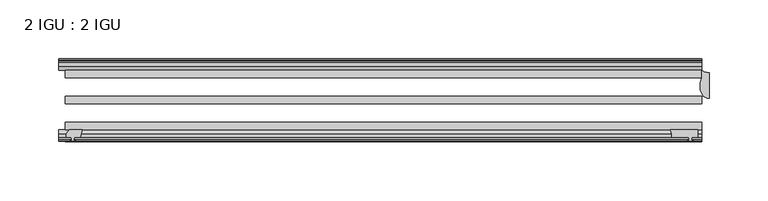
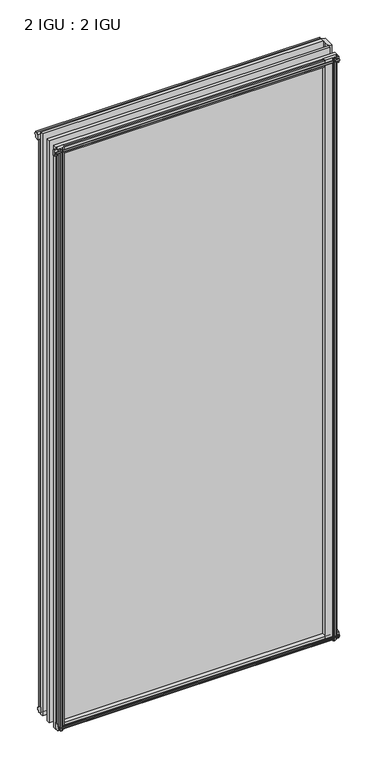
"""IFC4 building model written with IfcOpenShell, lengths in millimetres: plate geometry, 2 IGU : 2 IGU."""

from ifc_helpers import new_model, si_unit, point, frame, frame_2d, origin, origin_with_axes, place, context, project, spatial, polyline, circle_curve, ellipse_curve, trimmed, segment, composite_curve, outline, extrude, source, transform, mapped, element, save
from ifc_brep_helpers import plane_surface, cylinder_surface, revolved_surface, extruded_surface, advanced_brep


def plate_2_igu_2_igu_35390022(model_context):
    return source(origin(), model_context, "Body", "SolidModel", [
        extrude(outline(polyline([(-249.1072819, -69.9960936), (-250.825, -76.3460936), (-256.032, -76.3460936), (-256.413, -78.7262905), (-254.9974709, -78.2663573), (-254.9974709, -79.0675715), (-257.175, -79.7750936), (-259.3525291, -79.0675715), (-259.3525291, -78.2663573), (-257.937, -78.7262905), (-258.318, -76.3460936), (-262.763, -76.3460936), (-262.763, -73.3996936), (-259.9286578, -69.9960936), (-249.1072819, -69.9960936)])), frame((0.0, 0.0, -12.303125), z_axis=(0.0, 0.0, 1.0), x_axis=(1.0, 0.0, 0.0)), (0.0, 0.0, 1.0), 1180.461825),
        advanced_brep(
        [(282.575, -21.2713143, -12.303125), (282.575, -43.2929845, -12.303125), (275.0104224, -33.7460937, -12.303125), (276.225, -25.8960937, -12.303125), (276.225, -19.5460937, -12.303125), (282.575, -21.2713143, 1168.4), (276.225, -19.5460937, 1168.4), (276.225, -25.8960937, 1168.4), (275.0104224, -33.7460937, 1168.4), (282.575, -43.2929845, 1168.4)],
        [
            (0, 1),
            (1, 2, ellipse_curve(frame((282.575, -33.7460937, -12.303125), z_axis=(0.0, 0.0, -1.0), x_axis=(0.0, 1.0, 0.0)), 9.5468907, 7.5645776)),
            (2, 3, circle_curve(frame((300.9855831, -33.7460937, -12.303125), z_axis=(0.0, 0.0, -1.0), x_axis=(1.0, 0.0, 0.0)), 25.9751607)),
            (3, 4),
            (4, 0, circle_curve(frame((282.575, -8.7225169, -12.303125), z_axis=(0.0, 0.0, 1.0), x_axis=(1.0, 0.0, 0.0)), 12.5487974)),
            (5, 6, circle_curve(frame((282.575, -8.7225169, 1168.4), z_axis=(0.0, 0.0, -1.0), x_axis=(1.0, 0.0, 0.0)), 12.5487974)),
            (6, 7),
            (7, 8, circle_curve(frame((300.9855831, -33.7460937, 1168.4), z_axis=(0.0, 0.0, 1.0), x_axis=(1.0, 0.0, 0.0)), 25.9751607)),
            (8, 9, ellipse_curve(frame((282.575, -33.7460937, 1168.4), z_axis=(0.0, 0.0, 1.0), x_axis=(0.0, 1.0, 0.0)), 9.5468907, 7.5645776)),
            (9, 5),
            (0, 5),
            (9, 1),
            (8, 2),
            (7, 3),
            (6, 4),
        ],
        [
            plane_surface(frame((282.575, -13.1960937, -12.303125), z_axis=(0.0, 0.0, -1.0), x_axis=(0.0, 1.0, 0.0))),
            plane_surface(frame((282.575, -13.1960937, 1168.4), z_axis=(0.0, 0.0, 1.0), x_axis=(0.0, 1.0, 0.0))),
            plane_surface(frame((282.575, -21.2713143, -12.303125), z_axis=(1.0, 0.0, 0.0), x_axis=(0.0, 0.0, 1.0))),
            extruded_surface(trimmed(ellipse_curve(frame((282.575, -33.7460937, 1168.4), z_axis=(0.0, 0.0, -1.0), x_axis=(0.0, 1.0, 0.0)), 9.5468907, 7.5645776), [point((282.575, -43.2929845, 1168.4))], [point((275.0104224, -33.7460937, 1168.4))], True, "CARTESIAN"), (0.0, 0.0, -1180.703125), 1180.703125),
            cylinder_surface(frame((300.9855831, -33.7460937, -12.303125), z_axis=(0.0, 0.0, -1.0), x_axis=(1.0, 0.0, 0.0)), 25.9751607),
            plane_surface(frame((276.225, -25.8960937, -12.303125), z_axis=(-1.0, 0.0, 0.0), x_axis=(0.0, 0.0, 1.0))),
            revolved_surface(polyline([(295.1237974, -8.7225169, 1168.4), (295.1237974, -8.7225169, -12.303125)]), (282.575, -8.7225169, -12.303125), (0.0, 0.0, 1.0)),
        ],
        [
            (0, [[1, 2, 3, 4, 5]]),
            (1, [[6, 7, 8, 9, 10]]),
            (2, [[-1, 11, -10, 12]]),
            (3, [[-2, -12, -9, 13]]),
            (4, [[-3, -13, -8, 14]]),
            (5, [[-4, -14, -7, 15]]),
            (6, [[-5, -15, -6, -11]]),
        ],
    ),
        extrude(outline(composite_curve([segment(polyline([(249.8412713, -69.9960936), (273.05, -69.9960936), (273.05, -76.3460936), (267.97, -76.3460936), (267.6525, -78.4506955), (268.8711059, -78.124171), (269.0749, -78.884741), (266.7, -79.5210936), (264.3251, -78.884741), (264.5288941, -78.124171), (265.7475, -78.4506955), (265.43, -76.3460936), (250.825, -76.3460936)]), True, "CONTINUOUS"), segment(trimmed(circle_curve(frame_2d((238.4838743, -75.0067563)), 12.4135896), [point((250.825, -76.3460936))], [point((249.8412713, -69.9960936))], True, "CARTESIAN"), True, "CONTINUOUS")], self_intersect=False)), frame((0.0, 0.0, -12.4587), z_axis=(0.0, 0.0, 1.0), x_axis=(1.0, 0.0, 0.0)), (0.0, 0.0, 1.0), 1180.6174),
        extrude(outline(polyline([(-19.5460937, 1.5938931), (-13.1960937, -0.123825), (-13.1960937, -5.330825), (-10.8158968, -5.711825), (-11.27583, -4.2962959), (-10.4746158, -4.2962959), (-9.7670937, -6.473825), (-10.4746158, -8.6513541), (-11.27583, -8.6513541), (-10.8158968, -7.235825), (-13.1960937, -7.616825), (-13.1960937, -12.061825), (-16.1424937, -12.061825), (-19.5460937, -9.2274828), (-19.5460937, 1.5938931)])), frame((-263.525, 0.0, 0.0), z_axis=(1.0, 0.0, 0.0), x_axis=(0.0, 1.0, 0.0)), (0.0, 0.0, 1.0), 539.75),
        extrude(outline(polyline([(-69.9960936, 2.1145931), (-69.9960936, -8.7067828), (-73.3996936, -11.541125), (-76.3460936, -11.541125), (-76.3460936, -7.096125), (-78.7262905, -6.715125), (-78.2663573, -8.1306541), (-79.0675715, -8.1306541), (-79.7750936, -5.953125), (-79.0675715, -3.7755959), (-78.2663573, -3.7755959), (-78.7262905, -5.191125), (-76.3460936, -4.810125), (-76.3460936, 0.396875), (-69.9960936, 2.1145931)])), frame((-263.525, 0.0, 0.0), z_axis=(1.0, 0.0, 0.0), x_axis=(0.0, 1.0, 0.0)), (0.0, 0.0, 1.0), 539.75),
        extrude(outline(polyline([(-10.8158968, 1163.3327), (-11.27583, 1164.7482291), (-10.4746158, 1164.7482291), (-9.7670937, 1162.5707), (-10.4746158, 1160.3931709), (-11.27583, 1160.3931709), (-10.8158968, 1161.8087), (-13.1960937, 1161.4277), (-13.1960937, 1156.2207), (-19.5460937, 1154.5029819), (-19.5460937, 1165.3243578), (-16.1424937, 1168.1587), (-13.1960937, 1168.1587), (-13.1960937, 1163.7137), (-10.8158968, 1163.3327)])), frame((-268.8711059, 0.0, 0.0), z_axis=(1.0, 0.0, 0.0), x_axis=(0.0, 1.0, 0.0)), (0.0, 0.0, 1.0), 545.0961059),
        extrude(outline(polyline([(-76.3460936, 1167.638), (-73.3996936, 1167.638), (-69.9960936, 1164.8036578), (-69.9960936, 1153.9822819), (-76.3460936, 1155.7), (-76.3460936, 1160.907), (-78.7262905, 1161.288), (-78.2663573, 1159.8724709), (-79.0675715, 1159.8724709), (-79.7750936, 1162.05), (-79.0675715, 1164.2275291), (-78.2663573, 1164.2275291), (-78.7262905, 1162.812), (-76.3460936, 1163.193), (-76.3460936, 1167.638)])), frame((-268.8711059, 0.0, 0.0), z_axis=(1.0, 0.0, 0.0), x_axis=(0.0, 1.0, 0.0)), (0.0, 0.0, 1.0), 545.0961059),
        extrude(outline(polyline([(-257.6957, -9.7670937), (-255.5181709, -10.4746158), (-255.5181709, -11.27583), (-256.9337, -10.8158968), (-256.5527, -13.1960937), (-251.3457, -13.1960937), (-249.6279819, -19.5460937), (-260.4493578, -19.5460937), (-263.2837, -16.1424937), (-263.2837, -13.1960937), (-258.8387, -13.1960937), (-258.4577, -10.8158968), (-259.8732291, -11.27583), (-259.8732291, -10.4746158), (-257.6957, -9.7670937)])), origin_with_axes(), (0.0, 0.0, 1.0), 1155.7),
        extrude(outline(polyline([(276.225, -19.5460937), (276.225, -25.8960937), (-263.525, -25.8960937), (-263.525, -19.5460937), (276.225, -19.5460937)])), frame((0.0, 0.0, -12.303125), z_axis=(0.0, 0.0, 1.0), x_axis=(1.0, 0.0, 0.0)), (0.0, 0.0, 1.0), 1180.703125),
        extrude(outline(polyline([(-263.525, -41.5960937), (276.225, -41.5960937), (276.225, -47.9460937), (-263.525, -47.9460937), (-263.525, -41.5960937)])), frame((0.0, 0.0, -12.303125), z_axis=(0.0, 0.0, 1.0), x_axis=(1.0, 0.0, 0.0)), (0.0, 0.0, 1.0), 1180.703125),
        extrude(outline(polyline([(276.225, -63.6460936), (276.225, -69.9960936), (-263.525, -69.9960936), (-263.525, -63.6460936), (276.225, -63.6460936)])), frame((0.0, 0.0, -12.303125), z_axis=(0.0, 0.0, 1.0), x_axis=(1.0, 0.0, 0.0)), (0.0, 0.0, 1.0), 1180.703125),
    ])


if __name__ == "__main__":
    model = new_model("IFC4")
    model_context = context("Model", 3, world=origin())
    ifc_project = project(units=[si_unit("LENGTHUNIT", "METRE", prefix="MILLI")], contexts=[model_context])
    site = spatial("IfcSite", under=ifc_project)
    building = spatial("IfcBuilding", under=site)
    placement = place(None, origin())
    plate_2_igu_2_igu_shape = plate_2_igu_2_igu_35390022(model_context)
    element("IfcPlate", 1, ObjectType="2 IGU : 2 IGU", at=placement, inside=building, context=model_context, shape_type="MappedRepresentation", body=[
        mapped(plate_2_igu_2_igu_shape, transform((0.0, 0.0, 0.0), x_axis=(1.0, 0.0, 0.0), y_axis=(0.0, 1.0, 0.0), z_axis=(0.0, 0.0, 1.0))),
    ])
    save(model, "model.ifc")
